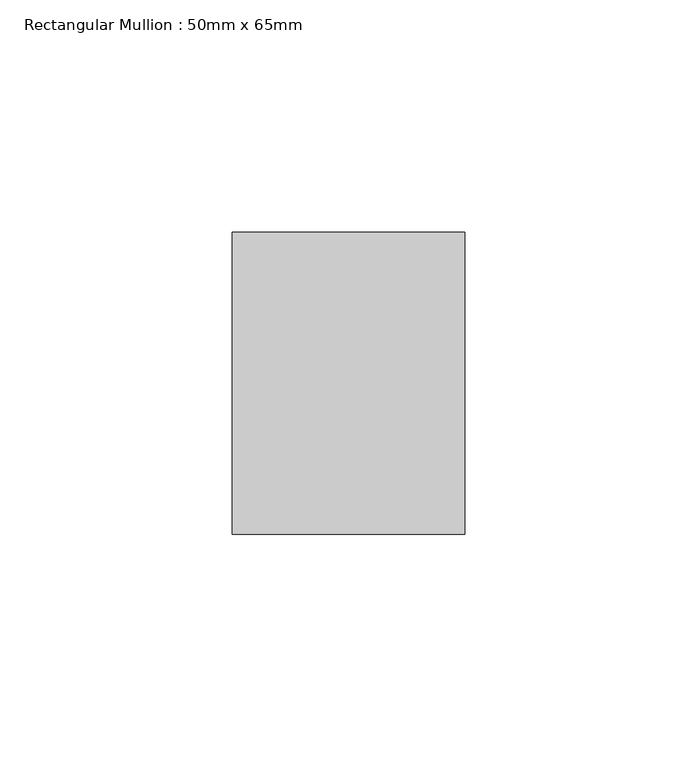
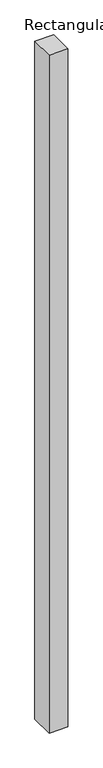
"""IFC4 building model written with IfcOpenShell, lengths in millimetres: member geometry, Rectangular Mullion : 50mm x 65mm."""

from ifc_helpers import new_model, si_unit, frame, origin, place, context, project, spatial, polyline, outline, extrude, source, transform, mapped, element, save


def rectangular_mullion_50mm_x_65mm_3a44c629(model_context):
    return source(origin(), model_context, "Body", "SweptSolid", [
        extrude(outline(polyline([(25.0, 32.5), (25.0, -32.5), (-25.0, -32.5), (-25.0, 32.5), (25.0, 32.5)])), frame((0.0, 0.0, -1897.7007673), z_axis=(0.0, 0.0, 1.0), x_axis=(1.0, 0.0, 0.0)), (0.0, 0.0, 1.0), 1897.7007673),
    ])


if __name__ == "__main__":
    model = new_model("IFC4")
    model_context = context("Model", 3, world=origin())
    ifc_project = project(units=[si_unit("LENGTHUNIT", "METRE", prefix="MILLI")], contexts=[model_context])
    site = spatial("IfcSite", under=ifc_project)
    building = spatial("IfcBuilding", under=site)
    placement = place(None, origin())
    rectangular_mullion_50mm_x_65mm_shape = rectangular_mullion_50mm_x_65mm_3a44c629(model_context)
    element("IfcMember", 1, ObjectType="Rectangular Mullion : 50mm x 65mm", at=placement, inside=building, context=model_context, shape_type="MappedRepresentation", body=[
        mapped(rectangular_mullion_50mm_x_65mm_shape, transform((0.0, 0.0, 0.0), x_axis=(1.0, 0.0, 0.0), y_axis=(0.0, 1.0, 0.0), z_axis=(0.0, 0.0, 1.0))),
    ])
    save(model, "model.ifc")
